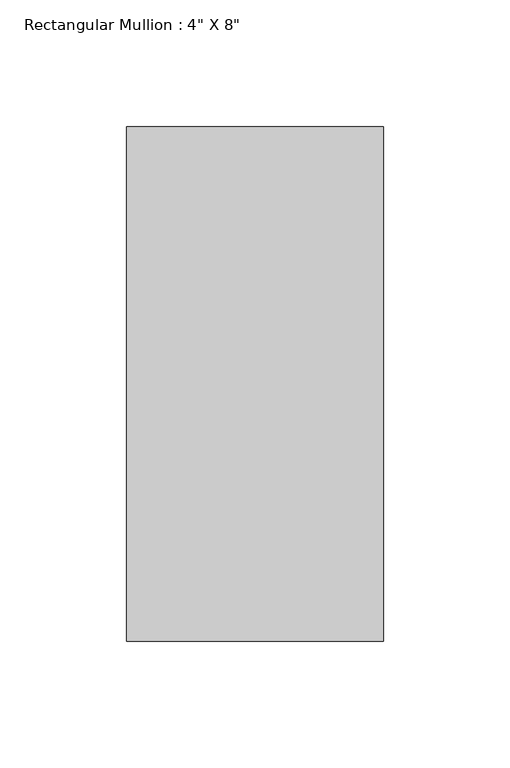
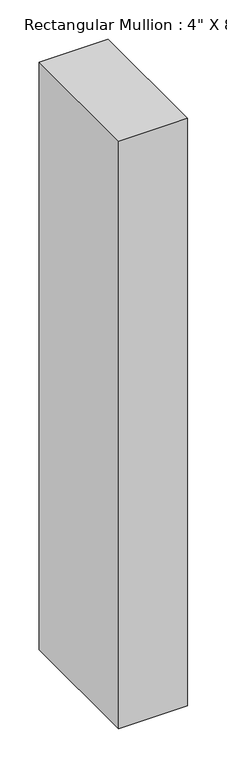
"""IFC4 building model written with IfcOpenShell, lengths in millimetres: member geometry."""

from ifc_helpers import new_model, si_unit, frame, origin, place, context, project, spatial, polyline, outline, extrude, source, transform, mapped, element, save


def member_31d6ddb9(model_context):
    return source(origin(), model_context, "Body", "SweptSolid", [
        extrude(outline(polyline([(50.8, 63.5), (50.8, -139.7), (-50.8, -139.7), (-50.8, 63.5), (50.8, 63.5)])), frame((0.0, 0.0, -914.4), z_axis=(0.0, 0.0, 1.0), x_axis=(1.0, 0.0, 0.0)), (0.0, 0.0, 1.0), 914.4),
    ])


if __name__ == "__main__":
    model = new_model("IFC4")
    model_context = context("Model", 3, world=origin())
    ifc_project = project(units=[si_unit("LENGTHUNIT", "METRE", prefix="MILLI")], contexts=[model_context])
    site = spatial("IfcSite", under=ifc_project)
    building = spatial("IfcBuilding", under=site)
    placement = place(None, origin())
    member_shape = member_31d6ddb9(model_context)
    element("IfcMember", 1, ObjectType="Rectangular Mullion : 4\" X 8\"", at=placement, inside=building, context=model_context, shape_type="MappedRepresentation", body=[
        mapped(member_shape, transform((0.0, 0.0, 0.0), x_axis=(1.0, 0.0, 0.0), y_axis=(0.0, 1.0, 0.0), z_axis=(0.0, 0.0, 1.0))),
    ])
    save(model, "model.ifc")
